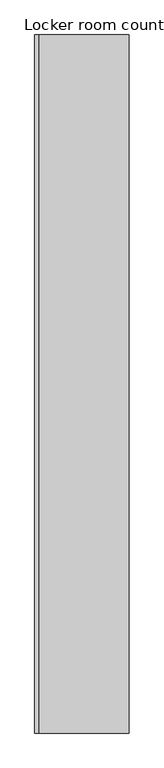
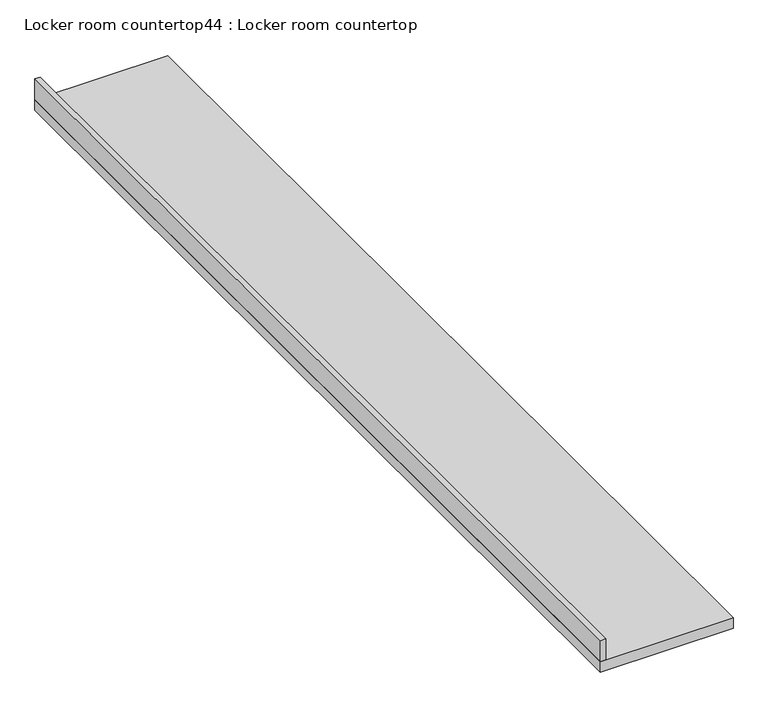
"""IFC4 building model written with IfcOpenShell, lengths in millimetres: furniture geometry, Locker room countertop44 : Locker room countertop."""

from ifc_helpers import new_model, si_unit, frame, origin, place, context, project, spatial, polyline, outline, extrude, source, transform, mapped, element, save


def locker_room_countertop44_locker_room_countertop_4ee1d62d(model_context):
    return source(origin(), model_context, "Body", "SweptSolid", [
        extrude(outline(polyline([(253506.0754676, -263178.1455223), (253506.0754676, -267680.2955223), (253480.6754676, -267680.2955223), (253480.6754676, -263178.1455223), (253506.0754676, -263178.1455223)])), frame((0.0, 0.0, 914.4), z_axis=(0.0, 0.0, 1.0), x_axis=(1.0, 0.0, 0.0)), (0.0, 0.0, 1.0), 101.6),
        extrude(outline(polyline([(254090.2754676, -263178.1455223), (254090.2754676, -267680.2955223), (253480.6754676, -267680.2955223), (253480.6754676, -263178.1455223), (254090.2754676, -263178.1455223)])), frame((0.0, 0.0, 863.6), z_axis=(0.0, 0.0, 1.0), x_axis=(1.0, 0.0, 0.0)), (0.0, 0.0, 1.0), 50.8),
    ])


if __name__ == "__main__":
    model = new_model("IFC4")
    model_context = context("Model", 3, world=origin())
    ifc_project = project(units=[si_unit("LENGTHUNIT", "METRE", prefix="MILLI")], contexts=[model_context])
    site = spatial("IfcSite", under=ifc_project)
    building = spatial("IfcBuilding", under=site)
    placement = place(None, origin())
    locker_room_countertop44_locker_room_countertop_shape = locker_room_countertop44_locker_room_countertop_4ee1d62d(model_context)
    element("IfcFurniture", 1, ObjectType="Locker room countertop44 : Locker room countertop", at=placement, inside=building, context=model_context, shape_type="MappedRepresentation", body=[
        mapped(locker_room_countertop44_locker_room_countertop_shape, transform((0.0, 0.0, 0.0), x_axis=(1.0, 0.0, 0.0), y_axis=(0.0, 1.0, 0.0), z_axis=(0.0, 0.0, 1.0))),
    ])
    save(model, "model.ifc")
